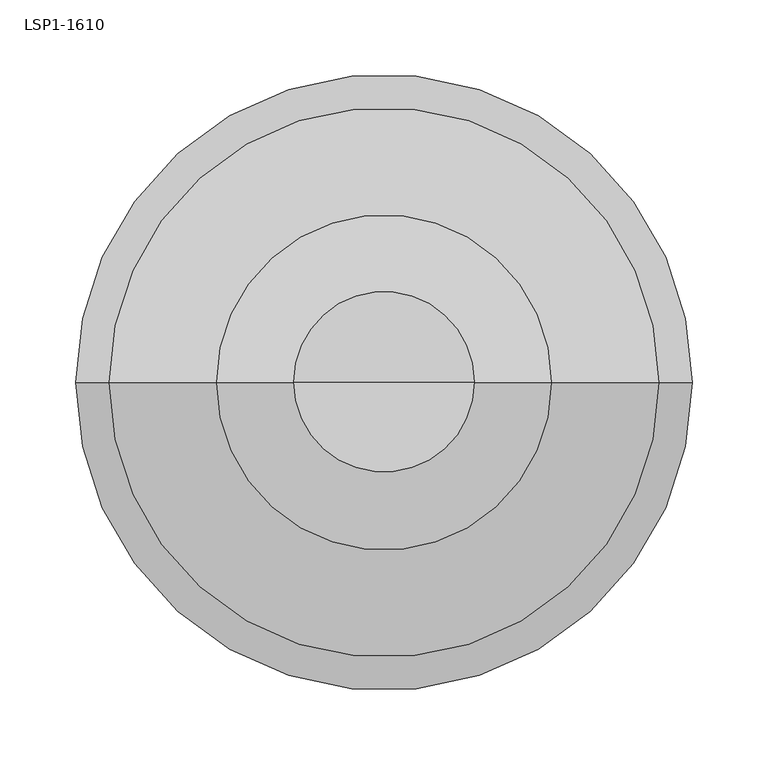
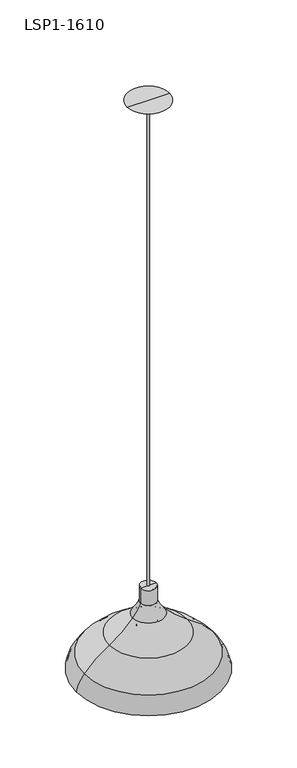
"""IFC4 building model written with IfcOpenShell, lengths in millimetres: light fixture geometry, LSP1-1610."""

from ifc_helpers import new_model, si_unit, point, frame, origin, place, context, project, spatial, polyline, circle_curve, ellipse_curve, trimmed, source, transform, mapped, element, save
from ifc_brep_helpers import plane_surface, cylinder_surface, revolved_surface, advanced_brep


def lsp1_1610_af304a69(model_context):
    return source(origin(), model_context, "Body", "AdvancedBrep", [
        advanced_brep(
        [(-434.1339478, 224.1223386, 1559.8207787), (-396.0170628, 224.1223386, 1559.8207787), (-393.3437457, 224.1223386, 1512.1202019), (-436.807265, 224.1223386, 1512.1202019), (-431.4411306, 224.1223386, 1559.8207787), (-398.70988, 224.1223386, 1559.8207787), (-434.1777176, 224.1223386, 1512.0722861), (-395.9732931, 224.1223386, 1512.0722861), (-432.560074, 224.1223386, 1512.0722861), (-397.5909366, 224.1223386, 1512.0722861), (-440.9016384, 224.1223386, 1487.846624), (-389.2493722, 224.1223386, 1487.846624), (-440.4092806, 224.1223386, 1483.5212208), (-389.7417301, 224.1223386, 1483.5212208), (-442.4017725, 224.1223386, 1483.5212208), (-387.7492381, 224.1223386, 1483.5212208), (-442.9636091, 224.1223386, 1489.3968061), (-387.1874015, 224.1223386, 1489.3968061), (-435.1393165, 224.1223386, 1512.1202019), (-395.0116942, 224.1223386, 1512.1202019)],
        [
            (0, 1, circle_curve(frame((-415.0755053, 224.1223386, 1559.8207787), z_axis=(0.0, 0.0, -1.0), x_axis=(1.0, 0.0, 0.0)), 19.0584425)),
            (1, 2, circle_curve(frame((-496.003567, 224.1223386, 1530.2919646), z_axis=(0.0, 1.0, 0.0), x_axis=(1.0, 0.0, 0.0)), 104.2557043)),
            (2, 3, circle_curve(frame((-415.0755053, 224.1223386, 1512.1202019), z_axis=(0.0, 0.0, 1.0), x_axis=(1.0, 0.0, 0.0)), 21.7317596)),
            (3, 0, circle_curve(frame((-334.1474437, 224.1223386, 1530.2919646), z_axis=(0.0, 1.0, 0.0), x_axis=(-1.0, 0.0, 0.0)), 104.2557043)),
            (1, 0, circle_curve(frame((-415.0755053, 224.1223386, 1559.8207787), z_axis=(0.0, 0.0, -1.0), x_axis=(1.0, 0.0, 0.0)), 19.0584425)),
            (3, 2, circle_curve(frame((-415.0755053, 224.1223386, 1512.1202019), z_axis=(0.0, 0.0, 1.0), x_axis=(1.0, 0.0, 0.0)), 21.7317596)),
            (4, 5, circle_curve(frame((-415.0755053, 224.1223386, 1559.8207787), z_axis=(0.0, 0.0, -1.0), x_axis=(1.0, 0.0, 0.0)), 16.3656253)),
            (5, 1),
            (0, 4),
            (5, 4, circle_curve(frame((-415.0755053, 224.1223386, 1559.8207787), z_axis=(0.0, 0.0, -1.0), x_axis=(1.0, 0.0, 0.0)), 16.3656253)),
            (6, 7, circle_curve(frame((-415.0755053, 224.1223386, 1512.0722861), z_axis=(0.0, 0.0, -1.0), x_axis=(1.0, 0.0, 0.0)), 19.1022122)),
            (7, 5, circle_curve(frame((-496.003567, 224.1223386, 1530.2919646), z_axis=(0.0, -1.0, 0.0), x_axis=(1.0, 0.0, 0.0)), 101.6760168)),
            (4, 6, circle_curve(frame((-334.1474437, 224.1223386, 1530.2919646), z_axis=(0.0, -1.0, 0.0), x_axis=(-1.0, 0.0, 0.0)), 101.6760168)),
            (7, 6, circle_curve(frame((-415.0755053, 224.1223386, 1512.0722861), z_axis=(0.0, 0.0, -1.0), x_axis=(1.0, 0.0, 0.0)), 19.1022122)),
            (8, 9, circle_curve(frame((-415.0755053, 224.1223386, 1512.0722861), z_axis=(0.0, 0.0, -1.0), x_axis=(1.0, 0.0, 0.0)), 17.4845687)),
            (9, 7),
            (6, 8),
            (9, 8, circle_curve(frame((-415.0755053, 224.1223386, 1512.0722861), z_axis=(0.0, 0.0, -1.0), x_axis=(1.0, 0.0, 0.0)), 17.4845687)),
            (10, 11, circle_curve(frame((-415.0755053, 224.1223386, 1487.846624), z_axis=(0.0, 0.0, -1.0), x_axis=(1.0, 0.0, 0.0)), 25.8261331)),
            (11, 9, circle_curve(frame((-355.9978718, 224.1223386, 1512.8449803), z_axis=(0.0, 1.0, 0.0), x_axis=(1.0, 0.0, 0.0)), 41.6002415)),
            (8, 10, circle_curve(frame((-474.1531388, 224.1223386, 1512.8449803), z_axis=(0.0, 1.0, 0.0), x_axis=(-1.0, 0.0, 0.0)), 41.6002415)),
            (11, 10, circle_curve(frame((-415.0755053, 224.1223386, 1487.846624), z_axis=(0.0, 0.0, -1.0), x_axis=(1.0, 0.0, 0.0)), 25.8261331)),
            (12, 13, circle_curve(frame((-415.0755053, 224.1223386, 1483.5212208), z_axis=(0.0, 0.0, -1.0), x_axis=(1.0, 0.0, 0.0)), 25.3337753)),
            (13, 11, circle_curve(frame((-391.7801705, 224.1223386, 1485.9439791), z_axis=(0.0, -1.0, 0.0), x_axis=(1.0, 0.0, 0.0)), 3.1662277)),
            (10, 12, circle_curve(frame((-438.3708401, 224.1223386, 1485.9439791), z_axis=(0.0, -1.0, 0.0), x_axis=(-1.0, 0.0, 0.0)), 3.1662277)),
            (13, 12, circle_curve(frame((-415.0755053, 224.1223386, 1483.5212208), z_axis=(0.0, 0.0, -1.0), x_axis=(1.0, 0.0, 0.0)), 25.3337753)),
            (14, 15, circle_curve(frame((-415.0755053, 224.1223386, 1483.5212208), z_axis=(0.0, 0.0, -1.0), x_axis=(1.0, 0.0, 0.0)), 27.3262672)),
            (15, 13),
            (12, 14),
            (15, 14, circle_curve(frame((-415.0755053, 224.1223386, 1483.5212208), z_axis=(0.0, 0.0, -1.0), x_axis=(1.0, 0.0, 0.0)), 27.3262672)),
            (16, 17, circle_curve(frame((-415.0755053, 224.1223386, 1489.3968061), z_axis=(0.0, 0.0, -1.0), x_axis=(1.0, 0.0, 0.0)), 27.8881038)),
            (17, 15, circle_curve(frame((-388.7454841, 224.1223386, 1486.5811387), z_axis=(0.0, 1.0, 0.0), x_axis=(1.0, 0.0, 0.0)), 3.2180124)),
            (14, 16, circle_curve(frame((-441.4055265, 224.1223386, 1486.5811387), z_axis=(0.0, 1.0, 0.0), x_axis=(-1.0, 0.0, 0.0)), 3.2180124)),
            (17, 16, circle_curve(frame((-415.0755053, 224.1223386, 1489.3968061), z_axis=(0.0, 0.0, -1.0), x_axis=(1.0, 0.0, 0.0)), 27.8881038)),
            (18, 19, circle_curve(frame((-415.0755053, 224.1223386, 1512.1202019), z_axis=(0.0, 0.0, -1.0), x_axis=(1.0, 0.0, 0.0)), 20.0638111)),
            (19, 17, circle_curve(frame((-355.9978718, 224.1223386, 1512.8449803), z_axis=(0.0, -1.0, 0.0), x_axis=(1.0, 0.0, 0.0)), 39.020554)),
            (16, 18, circle_curve(frame((-474.1531388, 224.1223386, 1512.8449803), z_axis=(0.0, -1.0, 0.0), x_axis=(-1.0, 0.0, 0.0)), 39.020554)),
            (19, 18, circle_curve(frame((-415.0755053, 224.1223386, 1512.1202019), z_axis=(0.0, 0.0, -1.0), x_axis=(1.0, 0.0, 0.0)), 20.0638111)),
            (2, 19),
            (18, 3),
        ],
        [
            revolved_surface(trimmed(ellipse_curve(frame((-496.003567, 224.1223386, 1530.2919646), z_axis=(0.0, -1.0, 0.0), x_axis=(1.0, 0.0, 0.0)), 104.2557043, 104.2557043), [point((-393.3437457, 224.1223386, 1512.1202019))], [point((-396.0170628, 224.1223386, 1559.8207787))], True, "CARTESIAN"), (-415.0755053, 224.1223386, 1540.567448), (0.0, 0.0, 1.0)),
            plane_surface(frame((-415.0755053, 224.1223386, 1559.8207787), z_axis=(0.0, 0.0, 1.0), x_axis=(1.0, 0.0, 0.0))),
            revolved_surface(trimmed(ellipse_curve(frame((-496.003567, 224.1223386, 1530.2919646), z_axis=(0.0, 1.0, 0.0), x_axis=(1.0, 0.0, 0.0)), 101.6760168, 101.6760168), [point((-398.70988, 224.1223386, 1559.8207787))], [point((-395.9732931, 224.1223386, 1512.0722861))], True, "CARTESIAN"), (-415.0755053, 224.1223386, 1540.567448), (0.0, 0.0, 1.0)),
            plane_surface(frame((-415.0755053, 224.1223386, 1512.0722861), z_axis=(0.0, 0.0, 1.0), x_axis=(1.0, 0.0, 0.0))),
            revolved_surface(trimmed(ellipse_curve(frame((-355.9978718, 224.1223386, 1512.8449803), z_axis=(0.0, -1.0, 0.0), x_axis=(1.0, 0.0, 0.0)), 41.6002415, 41.6002415), [point((-397.5909366, 224.1223386, 1512.0722861))], [point((-389.2493722, 224.1223386, 1487.846624))], True, "CARTESIAN"), (-415.0755053, 224.1223386, 1540.567448), (0.0, 0.0, 1.0)),
            revolved_surface(trimmed(ellipse_curve(frame((-391.7801705, 224.1223386, 1485.9439791), z_axis=(0.0, 1.0, 0.0), x_axis=(1.0, 0.0, 0.0)), 3.1662277, 3.1662277), [point((-389.2493722, 224.1223386, 1487.846624))], [point((-389.7417301, 224.1223386, 1483.5212208))], True, "CARTESIAN"), (-415.0755053, 224.1223386, 1540.567448), (0.0, 0.0, 1.0)),
            plane_surface(frame((-415.0755053, 224.1223386, 1483.5212208), z_axis=(0.0, 0.0, -1.0), x_axis=(1.0, 0.0, 0.0))),
            revolved_surface(trimmed(ellipse_curve(frame((-388.7454841, 224.1223386, 1486.5811387), z_axis=(0.0, -1.0, 0.0), x_axis=(1.0, 0.0, 0.0)), 3.2180124, 3.2180124), [point((-387.7492381, 224.1223386, 1483.5212208))], [point((-387.1874015, 224.1223386, 1489.3968061))], True, "CARTESIAN"), (-415.0755053, 224.1223386, 1540.567448), (0.0, 0.0, 1.0)),
            revolved_surface(trimmed(ellipse_curve(frame((-355.9978718, 224.1223386, 1512.8449803), z_axis=(0.0, 1.0, 0.0), x_axis=(1.0, 0.0, 0.0)), 39.020554, 39.020554), [point((-387.1874015, 224.1223386, 1489.3968061))], [point((-395.0116942, 224.1223386, 1512.1202019))], True, "CARTESIAN"), (-415.0755053, 224.1223386, 1540.567448), (0.0, 0.0, 1.0)),
            plane_surface(frame((-415.0755053, 224.1223386, 1512.1202019), z_axis=(0.0, 0.0, -1.0), x_axis=(1.0, 0.0, 0.0))),
        ],
        [
            (0, [[1, 2, 3, 4]]),
            (0, [[5, -4, 6, -2]]),
            (1, [[7, 8, -1, 9]]),
            (1, [[10, -9, -5, -8]]),
            (2, [[11, 12, -7, 13]]),
            (2, [[14, -13, -10, -12]]),
            (3, [[15, 16, -11, 17]]),
            (3, [[18, -17, -14, -16]]),
            (4, [[19, 20, -15, 21]]),
            (4, [[22, -21, -18, -20]]),
            (5, [[23, 24, -19, 25]]),
            (5, [[26, -25, -22, -24]]),
            (6, [[27, 28, -23, 29]]),
            (6, [[30, -29, -26, -28]]),
            (7, [[31, 32, -27, 33]]),
            (7, [[34, -33, -30, -32]]),
            (8, [[35, 36, -31, 37]]),
            (8, [[38, -37, -34, -36]]),
            (9, [[-3, 39, -35, 40]]),
            (9, [[-6, -40, -38, -39]]),
        ],
    ),
        advanced_brep(
        [(-596.5646284, 224.1223386, 1405.332534), (-233.5863822, 224.1223386, 1405.332534), (-211.8755053, 224.1223386, 1359.5777818), (-618.2755053, 224.1223386, 1359.5777818), (-525.7075333, 224.1223386, 1465.970739), (-304.4434773, 224.1223386, 1465.970739), (-437.2818509, 224.1223386, 1559.8207787), (-392.8691597, 224.1223386, 1559.8207787), (-371.0531398, 224.1223386, 1523.2566424), (-459.0978708, 224.1223386, 1523.2566424), (-434.5295407, 224.1223386, 1559.8207787), (-395.62147, 224.1223386, 1559.8207787), (-457.1514699, 224.1223386, 1521.5636239), (-372.9995407, 224.1223386, 1521.5636239), (-524.3248861, 224.1223386, 1463.792879), (-305.8261245, 224.1223386, 1463.792879), (-594.6265251, 224.1223386, 1403.6300231), (-235.5244855, 224.1223386, 1403.6300231), (-615.7309871, 224.1223386, 1359.1532647), (-214.4200235, 224.1223386, 1359.1532647)],
        [
            (0, 1, circle_curve(frame((-415.0755053, 224.1223386, 1405.332534), z_axis=(0.0, 0.0, -1.0), x_axis=(1.0, 0.0, 0.0)), 181.4891231)),
            (1, 2, circle_curve(frame((-302.9743826, 224.1223386, 1344.379213), z_axis=(0.0, 1.0, 0.0), x_axis=(1.0, 0.0, 0.0)), 92.3580096)),
            (2, 3, circle_curve(frame((-415.0755053, 224.1223386, 1359.5777818), z_axis=(0.0, 0.0, 1.0), x_axis=(1.0, 0.0, 0.0)), 203.2)),
            (3, 0, circle_curve(frame((-527.176628, 224.1223386, 1344.379213), z_axis=(0.0, 1.0, 0.0), x_axis=(-1.0, 0.0, 0.0)), 92.3580096)),
            (1, 0, circle_curve(frame((-415.0755053, 224.1223386, 1405.332534), z_axis=(0.0, 0.0, -1.0), x_axis=(1.0, 0.0, 0.0)), 181.4891231)),
            (3, 2, circle_curve(frame((-415.0755053, 224.1223386, 1359.5777818), z_axis=(0.0, 0.0, 1.0), x_axis=(1.0, 0.0, 0.0)), 203.2)),
            (4, 5, circle_curve(frame((-415.0755053, 224.1223386, 1465.970739), z_axis=(0.0, 0.0, -1.0), x_axis=(1.0, 0.0, 0.0)), 110.632028)),
            (5, 1, circle_curve(frame((-480.8217296, 224.1223386, 1188.1506666), z_axis=(0.0, 1.0, 0.0), x_axis=(1.0, 0.0, 0.0)), 329.0794441)),
            (0, 4, circle_curve(frame((-349.329281, 224.1223386, 1188.1506666), z_axis=(0.0, 1.0, 0.0), x_axis=(-1.0, 0.0, 0.0)), 329.0794441)),
            (5, 4, circle_curve(frame((-415.0755053, 224.1223386, 1465.970739), z_axis=(0.0, 0.0, -1.0), x_axis=(1.0, 0.0, 0.0)), 110.632028)),
            (6, 7, circle_curve(frame((-415.0755053, 224.1223386, 1559.8207787), z_axis=(0.0, 0.0, -1.0), x_axis=(1.0, 0.0, 0.0)), 22.2063456)),
            (7, 8, circle_curve(frame((-280.3022903, 224.1223386, 1602.1935467), z_axis=(0.0, -1.0, 0.0), x_axis=(1.0, 0.0, 0.0)), 120.2778099)),
            (8, 9, circle_curve(frame((-415.0755053, 224.1223386, 1523.2566424), z_axis=(0.0, 0.0, 1.0), x_axis=(1.0, 0.0, 0.0)), 44.0223655)),
            (9, 6, circle_curve(frame((-549.8487203, 224.1223386, 1602.1935467), z_axis=(0.0, -1.0, 0.0), x_axis=(-1.0, 0.0, 0.0)), 120.2778099)),
            (7, 6, circle_curve(frame((-415.0755053, 224.1223386, 1559.8207787), z_axis=(0.0, 0.0, -1.0), x_axis=(1.0, 0.0, 0.0)), 22.2063456)),
            (9, 8, circle_curve(frame((-415.0755053, 224.1223386, 1523.2566424), z_axis=(0.0, 0.0, 1.0), x_axis=(1.0, 0.0, 0.0)), 44.0223655)),
            (8, 5, circle_curve(frame((-141.0783925, 224.1223386, 1723.293278), z_axis=(0.0, -1.0, 0.0), x_axis=(1.0, 0.0, 0.0)), 304.8)),
            (4, 9, circle_curve(frame((-689.0726181, 224.1223386, 1723.293278), z_axis=(0.0, -1.0, 0.0), x_axis=(-1.0, 0.0, 0.0)), 304.8)),
            (10, 11, circle_curve(frame((-415.0755053, 224.1223386, 1559.8207787), z_axis=(0.0, 0.0, -1.0), x_axis=(1.0, 0.0, 0.0)), 19.4540354)),
            (11, 7),
            (6, 10),
            (11, 10, circle_curve(frame((-415.0755053, 224.1223386, 1559.8207787), z_axis=(0.0, 0.0, -1.0), x_axis=(1.0, 0.0, 0.0)), 19.4540354)),
            (12, 13, circle_curve(frame((-415.0755053, 224.1223386, 1521.5636239), z_axis=(0.0, 0.0, -1.0), x_axis=(1.0, 0.0, 0.0)), 42.0759646)),
            (13, 11, circle_curve(frame((-280.3022903, 224.1223386, 1602.1935467), z_axis=(0.0, 1.0, 0.0), x_axis=(1.0, 0.0, 0.0)), 122.8574974)),
            (10, 12, circle_curve(frame((-549.8487203, 224.1223386, 1602.1935467), z_axis=(0.0, 1.0, 0.0), x_axis=(-1.0, 0.0, 0.0)), 122.8574974)),
            (13, 12, circle_curve(frame((-415.0755053, 224.1223386, 1521.5636239), z_axis=(0.0, 0.0, -1.0), x_axis=(1.0, 0.0, 0.0)), 42.0759646)),
            (14, 15, circle_curve(frame((-415.0755053, 224.1223386, 1463.792879), z_axis=(0.0, 0.0, -1.0), x_axis=(1.0, 0.0, 0.0)), 109.2493808)),
            (15, 13, circle_curve(frame((-141.0783925, 224.1223386, 1723.293278), z_axis=(0.0, 1.0, 0.0), x_axis=(1.0, 0.0, 0.0)), 307.3796875)),
            (12, 14, circle_curve(frame((-689.0726181, 224.1223386, 1723.293278), z_axis=(0.0, 1.0, 0.0), x_axis=(-1.0, 0.0, 0.0)), 307.3796875)),
            (15, 14, circle_curve(frame((-415.0755053, 224.1223386, 1463.792879), z_axis=(0.0, 0.0, -1.0), x_axis=(1.0, 0.0, 0.0)), 109.2493808)),
            (16, 17, circle_curve(frame((-415.0755053, 224.1223386, 1403.6300231), z_axis=(0.0, 0.0, -1.0), x_axis=(1.0, 0.0, 0.0)), 179.5510198)),
            (17, 15, circle_curve(frame((-480.8217296, 224.1223386, 1188.1506666), z_axis=(0.0, -1.0, 0.0), x_axis=(1.0, 0.0, 0.0)), 326.4997566)),
            (14, 16, circle_curve(frame((-349.329281, 224.1223386, 1188.1506666), z_axis=(0.0, -1.0, 0.0), x_axis=(-1.0, 0.0, 0.0)), 326.4997566)),
            (17, 16, circle_curve(frame((-415.0755053, 224.1223386, 1403.6300231), z_axis=(0.0, 0.0, -1.0), x_axis=(1.0, 0.0, 0.0)), 179.5510198)),
            (18, 19, circle_curve(frame((-415.0755053, 224.1223386, 1359.1532647), z_axis=(0.0, 0.0, -1.0), x_axis=(1.0, 0.0, 0.0)), 200.6554818)),
            (19, 17, circle_curve(frame((-302.9743826, 224.1223386, 1344.379213), z_axis=(0.0, -1.0, 0.0), x_axis=(1.0, 0.0, 0.0)), 89.7783221)),
            (16, 18, circle_curve(frame((-527.176628, 224.1223386, 1344.379213), z_axis=(0.0, -1.0, 0.0), x_axis=(-1.0, 0.0, 0.0)), 89.7783221)),
            (19, 18, circle_curve(frame((-415.0755053, 224.1223386, 1359.1532647), z_axis=(0.0, 0.0, -1.0), x_axis=(1.0, 0.0, 0.0)), 200.6554818)),
            (2, 19),
            (18, 3),
        ],
        [
            revolved_surface(trimmed(ellipse_curve(frame((-302.9743826, 224.1223386, 1344.379213), z_axis=(0.0, -1.0, 0.0), x_axis=(1.0, 0.0, 0.0)), 92.3580096, 92.3580096), [point((-211.8755053, 224.1223386, 1359.5777818))], [point((-233.5863822, 224.1223386, 1405.332534))], True, "CARTESIAN"), (-415.0755053, 224.1223386, 1559.8207787), (0.0, 0.0, 1.0)),
            revolved_surface(trimmed(ellipse_curve(frame((-480.8217296, 224.1223386, 1188.1506666), z_axis=(0.0, -1.0, 0.0), x_axis=(1.0, 0.0, 0.0)), 329.0794441, 329.0794441), [point((-233.5863822, 224.1223386, 1405.332534))], [point((-304.4434773, 224.1223386, 1465.970739))], True, "CARTESIAN"), (-415.0755053, 224.1223386, 1559.8207787), (0.0, 0.0, 1.0)),
            revolved_surface(trimmed(ellipse_curve(frame((-280.3022903, 224.1223386, 1602.1935467), z_axis=(0.0, 1.0, 0.0), x_axis=(1.0, 0.0, 0.0)), 120.2778099, 120.2778099), [point((-371.0531398, 224.1223386, 1523.2566424))], [point((-392.8691597, 224.1223386, 1559.8207787))], True, "CARTESIAN"), (-415.0755053, 224.1223386, 1559.8207787), (0.0, 0.0, 1.0)),
            revolved_surface(trimmed(ellipse_curve(frame((-141.0783925, 224.1223386, 1723.293278), z_axis=(0.0, 1.0, 0.0), x_axis=(1.0, 0.0, 0.0)), 304.8, 304.8), [point((-304.4434773, 224.1223386, 1465.970739))], [point((-371.0531398, 224.1223386, 1523.2566424))], True, "CARTESIAN"), (-415.0755053, 224.1223386, 1559.8207787), (0.0, 0.0, 1.0)),
            plane_surface(frame((-415.0755053, 224.1223386, 1559.8207787), z_axis=(0.0, 0.0, 1.0), x_axis=(1.0, 0.0, 0.0))),
            revolved_surface(trimmed(ellipse_curve(frame((-280.3022903, 224.1223386, 1602.1935467), z_axis=(0.0, -1.0, 0.0), x_axis=(1.0, 0.0, 0.0)), 122.8574974, 122.8574974), [point((-395.62147, 224.1223386, 1559.8207787))], [point((-372.9995407, 224.1223386, 1521.5636239))], True, "CARTESIAN"), (-415.0755053, 224.1223386, 1559.8207787), (0.0, 0.0, 1.0)),
            revolved_surface(trimmed(ellipse_curve(frame((-141.0783925, 224.1223386, 1723.293278), z_axis=(0.0, -1.0, 0.0), x_axis=(1.0, 0.0, 0.0)), 307.3796875, 307.3796875), [point((-372.9995407, 224.1223386, 1521.5636239))], [point((-305.8261245, 224.1223386, 1463.792879))], True, "CARTESIAN"), (-415.0755053, 224.1223386, 1559.8207787), (0.0, 0.0, 1.0)),
            revolved_surface(trimmed(ellipse_curve(frame((-480.8217296, 224.1223386, 1188.1506666), z_axis=(0.0, 1.0, 0.0), x_axis=(1.0, 0.0, 0.0)), 326.4997566, 326.4997566), [point((-305.8261245, 224.1223386, 1463.792879))], [point((-235.5244855, 224.1223386, 1403.6300231))], True, "CARTESIAN"), (-415.0755053, 224.1223386, 1559.8207787), (0.0, 0.0, 1.0)),
            revolved_surface(trimmed(ellipse_curve(frame((-302.9743826, 224.1223386, 1344.379213), z_axis=(0.0, 1.0, 0.0), x_axis=(1.0, 0.0, 0.0)), 89.7783221, 89.7783221), [point((-235.5244855, 224.1223386, 1403.6300231))], [point((-214.4200235, 224.1223386, 1359.1532647))], True, "CARTESIAN"), (-415.0755053, 224.1223386, 1559.8207787), (0.0, 0.0, 1.0)),
            revolved_surface(polyline([(-214.4200235, 224.1223386, 1359.1532647), (-211.8755053, 224.1223386, 1359.5777818)]), (-415.0755053, 224.1223386, 1559.8207787), (0.0, 0.0, 1.0)),
        ],
        [
            (0, [[1, 2, 3, 4]]),
            (0, [[5, -4, 6, -2]]),
            (1, [[7, 8, -1, 9]]),
            (1, [[10, -9, -5, -8]]),
            (2, [[11, 12, 13, 14]]),
            (2, [[15, -14, 16, -12]]),
            (3, [[-13, 17, -7, 18]]),
            (3, [[-16, -18, -10, -17]]),
            (4, [[19, 20, -11, 21]]),
            (4, [[22, -21, -15, -20]]),
            (5, [[23, 24, -19, 25]]),
            (5, [[26, -25, -22, -24]]),
            (6, [[27, 28, -23, 29]]),
            (6, [[30, -29, -26, -28]]),
            (7, [[31, 32, -27, 33]]),
            (7, [[34, -33, -30, -32]]),
            (8, [[35, 36, -31, 37]]),
            (8, [[38, -37, -34, -36]]),
            (9, [[-3, 39, -35, 40]]),
            (9, [[-6, -40, -38, -39]]),
        ],
    ),
        advanced_brep(
        [(-437.2777155, 224.2532085, 1559.8207787), (-392.8650243, 224.2532085, 1559.8207787), (-415.0713699, 224.2532085, 1559.8207787), (-437.2777155, 224.2532085, 1604.5642339), (-392.8650243, 224.2532085, 1604.5642339), (-415.0713699, 224.2532085, 1604.5642339)],
        [
            (0, 1, circle_curve(frame((-415.0713699, 224.2532085, 1559.8207787), z_axis=(0.0, 0.0, -1.0), x_axis=(1.0, 0.0, 0.0)), 22.2063456)),
            (1, 2),
            (2, 0),
            (1, 0, circle_curve(frame((-415.0713699, 224.2532085, 1559.8207787), z_axis=(0.0, 0.0, -1.0), x_axis=(1.0, 0.0, 0.0)), 22.2063456)),
            (3, 4, circle_curve(frame((-415.0713699, 224.2532085, 1604.5642339), z_axis=(0.0, 0.0, -1.0), x_axis=(1.0, 0.0, 0.0)), 22.2063456)),
            (4, 1),
            (0, 3),
            (4, 3, circle_curve(frame((-415.0713699, 224.2532085, 1604.5642339), z_axis=(0.0, 0.0, -1.0), x_axis=(1.0, 0.0, 0.0)), 22.2063456)),
            (5, 4),
            (3, 5),
        ],
        [
            plane_surface(frame((-415.0713699, 224.2532085, 1559.8207787), z_axis=(0.0, 0.0, -1.0), x_axis=(1.0, 0.0, 0.0))),
            cylinder_surface(frame((-415.0713699, 224.2532085, 1604.5642339), z_axis=(0.0, 0.0, 1.0), x_axis=(1.0, 0.0, 0.0)), 22.2063456),
            plane_surface(frame((-415.0713699, 224.2532085, 1604.5642339), z_axis=(0.0, 0.0, 1.0), x_axis=(1.0, 0.0, 0.0))),
        ],
        [
            (0, [[1, 2, 3]]),
            (0, [[4, -3, -2]]),
            (1, [[5, 6, -1, 7]]),
            (1, [[8, -7, -4, -6]]),
            (2, [[9, -5, 10]]),
            (2, [[-10, -8, -9]]),
        ],
    ),
        advanced_brep(
        [(-435.3113988, 224.2532085, 1602.1395618), (-394.8313411, 224.2532085, 1602.1395618), (-415.0713699, 224.2532085, 1602.1395618), (-435.3113988, 224.2532085, 1604.5642339), (-394.8313411, 224.2532085, 1604.5642339), (-415.0713699, 224.2532085, 1604.5642339)],
        [
            (0, 1, circle_curve(frame((-415.0713699, 224.2532085, 1602.1395618), z_axis=(0.0, 0.0, -1.0), x_axis=(1.0, 0.0, 0.0)), 20.2400288)),
            (1, 2),
            (2, 0),
            (1, 0, circle_curve(frame((-415.0713699, 224.2532085, 1602.1395618), z_axis=(0.0, 0.0, -1.0), x_axis=(1.0, 0.0, 0.0)), 20.2400288)),
            (3, 4, circle_curve(frame((-415.0713699, 224.2532085, 1604.5642339), z_axis=(0.0, 0.0, -1.0), x_axis=(1.0, 0.0, 0.0)), 20.2400288)),
            (4, 1),
            (0, 3),
            (4, 3, circle_curve(frame((-415.0713699, 224.2532085, 1604.5642339), z_axis=(0.0, 0.0, -1.0), x_axis=(1.0, 0.0, 0.0)), 20.2400288)),
            (5, 4),
            (3, 5),
        ],
        [
            plane_surface(frame((-415.0713699, 224.2532085, 1602.1395618), z_axis=(0.0, 0.0, -1.0), x_axis=(1.0, 0.0, 0.0))),
            cylinder_surface(frame((-415.0713699, 224.2532085, 1604.5642339), z_axis=(0.0, 0.0, 1.0), x_axis=(1.0, 0.0, 0.0)), 20.2400288),
            plane_surface(frame((-415.0713699, 224.2532085, 1604.5642339), z_axis=(0.0, 0.0, 1.0), x_axis=(1.0, 0.0, 0.0))),
        ],
        [
            (0, [[1, 2, 3]]),
            (0, [[4, -3, -2]]),
            (1, [[5, 6, -1, 7]]),
            (1, [[8, -7, -4, -6]]),
            (2, [[9, -5, 10]]),
            (2, [[-10, -8, -9]]),
        ],
    ),
        advanced_brep(
        [(-418.2563996, 224.2532085, 1602.4395435), (-411.8863403, 224.2532085, 1602.4395435), (-415.0713699, 224.2532085, 1602.4395435), (-418.2563996, 224.2532085, 3028.8723885), (-411.8863403, 224.2532085, 3028.8723885), (-415.0713699, 224.2532085, 3028.8723885)],
        [
            (0, 1, circle_curve(frame((-415.0713699, 224.2532085, 1602.4395435), z_axis=(0.0, 0.0, -1.0), x_axis=(1.0, 0.0, 0.0)), 3.1850297)),
            (1, 2),
            (2, 0),
            (1, 0, circle_curve(frame((-415.0713699, 224.2532085, 1602.4395435), z_axis=(0.0, 0.0, -1.0), x_axis=(1.0, 0.0, 0.0)), 3.1850297)),
            (3, 4, circle_curve(frame((-415.0713699, 224.2532085, 3028.8723885), z_axis=(0.0, 0.0, -1.0), x_axis=(1.0, 0.0, 0.0)), 3.1850297)),
            (4, 1),
            (0, 3),
            (4, 3, circle_curve(frame((-415.0713699, 224.2532085, 3028.8723885), z_axis=(0.0, 0.0, -1.0), x_axis=(1.0, 0.0, 0.0)), 3.1850297)),
            (5, 4),
            (3, 5),
        ],
        [
            plane_surface(frame((-415.0713699, 224.2532085, 1602.4395435), z_axis=(0.0, 0.0, -1.0), x_axis=(1.0, 0.0, 0.0))),
            cylinder_surface(frame((-415.0713699, 224.2532085, 3029.2107758), z_axis=(0.0, 0.0, 1.0), x_axis=(1.0, 0.0, 0.0)), 3.1850297),
            plane_surface(frame((-415.0713699, 224.2532085, 3028.8723885), z_axis=(0.0, 0.0, 1.0), x_axis=(1.0, 0.0, 0.0))),
        ],
        [
            (0, [[1, 2, 3]]),
            (0, [[4, -3, -2]]),
            (1, [[5, 6, -1, 7]]),
            (1, [[8, -7, -4, -6]]),
            (2, [[9, -5, 10]]),
            (2, [[-10, -8, -9]]),
        ],
    ),
        advanced_brep(
        [(-415.0613403, 224.2532085, 3031.1238014), (-408.2613404, 224.2532085, 3031.1238014), (-421.8613403, 224.2532085, 3031.1238014), (-421.8613403, 224.2532085, 3028.8723885), (-408.2613404, 224.2532085, 3028.8723885), (-415.0613403, 224.2532085, 3028.8723885)],
        [
            (0, 1),
            (1, 2, circle_curve(frame((-415.0613403, 224.2532085, 3031.1238014), z_axis=(0.0, 0.0, 1.0), x_axis=(1.0, 0.0, 0.0)), 6.8)),
            (2, 0),
            (2, 1, circle_curve(frame((-415.0613403, 224.2532085, 3031.1238014), z_axis=(0.0, 0.0, 1.0), x_axis=(1.0, 0.0, 0.0)), 6.8)),
            (3, 4, circle_curve(frame((-415.0613403, 224.2532085, 3028.8723885), z_axis=(0.0, 0.0, -1.0), x_axis=(1.0, 0.0, 0.0)), 6.8)),
            (4, 5),
            (5, 3),
            (4, 3, circle_curve(frame((-415.0613403, 224.2532085, 3028.8723885), z_axis=(0.0, 0.0, -1.0), x_axis=(1.0, 0.0, 0.0)), 6.8)),
            (1, 4),
            (3, 2),
        ],
        [
            plane_surface(frame((-415.0613403, 224.2532085, 3031.1238014), z_axis=(0.0, 0.0, 1.0), x_axis=(1.0, 0.0, 0.0))),
            plane_surface(frame((-415.0613403, 224.2532085, 3028.8723885), z_axis=(0.0, 0.0, -1.0), x_axis=(1.0, 0.0, 0.0))),
            cylinder_surface(frame((-415.0613403, 224.2532085, 3031.1238014), z_axis=(0.0, 0.0, 1.0), x_axis=(1.0, 0.0, 0.0)), 6.8),
        ],
        [
            (0, [[1, 2, 3]]),
            (0, [[-3, 4, -1]]),
            (1, [[5, 6, 7]]),
            (1, [[8, -7, -6]]),
            (2, [[-2, 9, -5, 10]]),
            (2, [[-4, -10, -8, -9]]),
        ],
    ),
        advanced_brep(
        [(-421.8616647, 224.2532085, 3031.1238014), (-408.261016, 224.2532085, 3031.1238014), (-415.0613403, 224.2532085, 3031.1238014), (-474.5613423, 224.2532085, 3048.0), (-355.5613384, 224.2532085, 3048.0), (-415.0613403, 224.2532085, 3048.0)],
        [
            (0, 1, circle_curve(frame((-415.0613403, 224.2532085, 3031.1238014), z_axis=(0.0, 0.0, -1.0), x_axis=(1.0, 0.0, 0.0)), 6.8003243)),
            (1, 2),
            (2, 0),
            (1, 0, circle_curve(frame((-415.0613403, 224.2532085, 3031.1238014), z_axis=(0.0, 0.0, -1.0), x_axis=(1.0, 0.0, 0.0)), 6.8003243)),
            (3, 4, circle_curve(frame((-415.0613403, 224.2532085, 3048.0), z_axis=(0.0, 0.0, -1.0), x_axis=(1.0, 0.0, 0.0)), 59.5000019)),
            (4, 1, circle_curve(frame((-420.5867993, 224.2532085, 3160.3351188), z_axis=(0.0, 1.0, 0.0), x_axis=(1.0, 0.0, 0.0)), 129.7978793)),
            (0, 3, circle_curve(frame((-409.5358814, 224.2532085, 3160.3351188), z_axis=(0.0, 1.0, 0.0), x_axis=(-1.0, 0.0, 0.0)), 129.7978793)),
            (4, 3, circle_curve(frame((-415.0613403, 224.2532085, 3048.0), z_axis=(0.0, 0.0, -1.0), x_axis=(1.0, 0.0, 0.0)), 59.5000019)),
            (5, 4),
            (3, 5),
        ],
        [
            plane_surface(frame((-415.0613403, 224.2532085, 3031.1238014), z_axis=(0.0, 0.0, -1.0), x_axis=(1.0, 0.0, 0.0))),
            revolved_surface(trimmed(ellipse_curve(frame((-420.5867993, 224.2532085, 3160.3351188), z_axis=(0.0, -1.0, 0.0), x_axis=(1.0, 0.0, 0.0)), 129.7978793, 129.7978793), [point((-408.261016, 224.2532085, 3031.1238014))], [point((-355.5613384, 224.2532085, 3048.0))], True, "CARTESIAN"), (-415.0613403, 224.2532085, 3048.0), (0.0, 0.0, 1.0)),
            plane_surface(frame((-415.0613403, 224.2532085, 3048.0), z_axis=(0.0, 0.0, 1.0), x_axis=(1.0, 0.0, 0.0))),
        ],
        [
            (0, [[1, 2, 3]]),
            (0, [[4, -3, -2]]),
            (1, [[5, 6, -1, 7]]),
            (1, [[8, -7, -4, -6]]),
            (2, [[9, -5, 10]]),
            (2, [[-10, -8, -9]]),
        ],
    ),
    ])


if __name__ == "__main__":
    model = new_model("IFC4")
    model_context = context("Model", 3, world=origin())
    ifc_project = project(units=[si_unit("LENGTHUNIT", "METRE", prefix="MILLI")], contexts=[model_context])
    site = spatial("IfcSite", under=ifc_project)
    building = spatial("IfcBuilding", under=site)
    placement = place(None, origin())
    lsp1_1610_shape = lsp1_1610_af304a69(model_context)
    element("IfcLightFixture", 1, ObjectType="LSP1-1610", at=placement, inside=building, context=model_context, shape_type="MappedRepresentation", body=[
        mapped(lsp1_1610_shape, transform((0.0, 0.0, 0.0), x_axis=(1.0, 0.0, 0.0), y_axis=(0.0, 1.0, 0.0), z_axis=(0.0, 0.0, 1.0))),
    ])
    save(model, "model.ifc")
